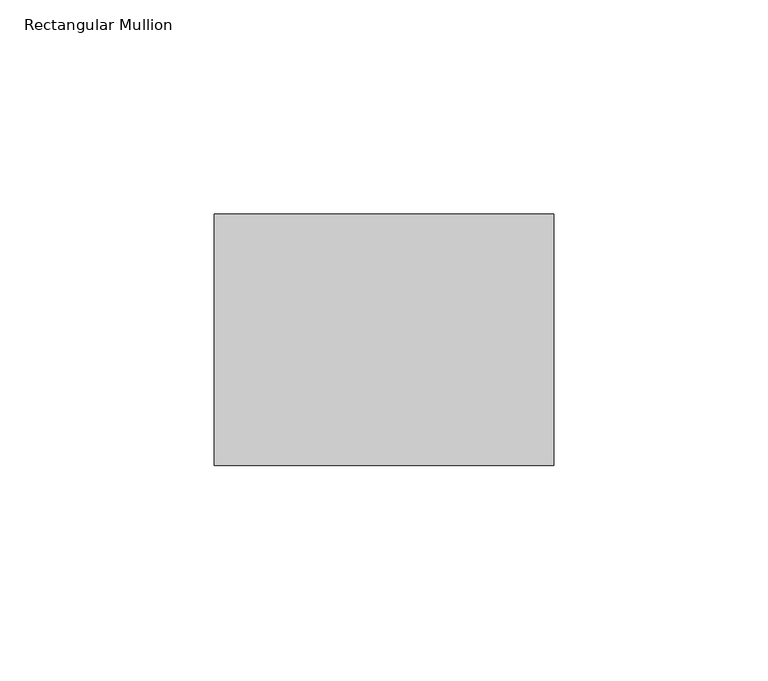
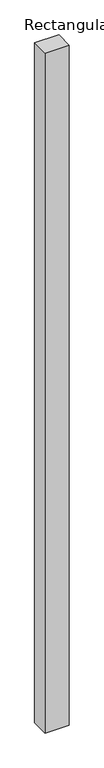
"""IFC4 building model written with IfcOpenShell, lengths in millimetres: member geometry, Rectangular Mullion."""

import ifcopenshell
import ifcopenshell.guid

model = None  # the IFC model being written
_history = None  # IfcOwnerHistory: only IFC2X3 demands one
_inside = {}  # id of a spatial element -> (the spatial element, [elements in it])
_under = {}  # id of a project, library or spatial element -> (it, [spatial elements below it])
_declared = {}  # id of a project -> (the project, [libraries it declares])
_typed = {}  # id of a type object -> (the type object, [elements of that type])
_made_of = {}  # id of a material, layer set ... -> (it, [elements and type objects made of it])


def new_model(schema):
    """Start an empty IFC model of exactly this schema.

    Asked for "IFC4X3", IfcOpenShell would pick the latest addendum, in which some entities
    have other attributes; the version numbers below select the first issue.
    IFC2X3 requires an IfcOwnerHistory on every rooted entity: one is made here for all.
    """
    global model, _history
    if schema == "IFC4X3":
        model = ifcopenshell.file(schema_version=(4, 3, 0, 0))
    else:
        model = ifcopenshell.file(schema=schema)
    _inside.clear()
    _under.clear()
    _declared.clear()
    _typed.clear()
    _made_of.clear()
    _history = None
    if model.schema == "IFC2X3":
        org = make("IfcOrganization", Name="unknown")
        user = make(
            "IfcPersonAndOrganization",
            ThePerson=make("IfcPerson", FamilyName="unknown"),
            TheOrganization=org,
        )
        app = make(
            "IfcApplication",
            ApplicationDeveloper=org,
            Version="unknown",
            ApplicationFullName="unknown",
            ApplicationIdentifier="unknown",
        )
        _history = make(
            "IfcOwnerHistory",
            OwningUser=user,
            OwningApplication=app,
            ChangeAction="ADDED",
            CreationDate=0,
        )
    return model


def make(cls, **values):
    """One entity of the class cls with the attributes given. An attribute that is None is left unset."""
    return model.create_entity(
        cls, **{name: value for name, value in values.items() if value is not None}
    )


def rooted(cls, **values):
    """An entity with a GlobalId (a new one), such as an element, a storey or a relation."""
    return make(cls, GlobalId=ifcopenshell.guid.new(), OwnerHistory=_history, **values)


def si_unit(unit_type, name, prefix=None):
    """IfcSIUnit, for example si_unit("LENGTHUNIT", "METRE", prefix="MILLI")."""
    return make("IfcSIUnit", UnitType=unit_type, Prefix=prefix, Name=name)


def assignment(units):
    """IfcUnitAssignment: the units of a project."""
    return None if units is None else make("IfcUnitAssignment", Units=units)


def point(xyz):
    """IfcCartesianPoint."""
    return None if xyz is None else make("IfcCartesianPoint", Coordinates=xyz)


def direction(xyz):
    """IfcDirection."""
    return None if xyz is None else make("IfcDirection", DirectionRatios=xyz)


def frame(location, z_axis=None, x_axis=None):
    """IfcAxis2Placement3D, a coordinate frame: its origin and axes. An axis left out is left unset."""
    return make(
        "IfcAxis2Placement3D",
        Location=point(location),
        Axis=direction(z_axis),
        RefDirection=direction(x_axis),
    )


def origin():
    """The frame at (0, 0, 0) with its axes left unset."""
    return frame((0.0, 0.0, 0.0))


def place(relative_to, where):
    """IfcLocalPlacement: puts the frame where relative to a parent placement (None: the world)."""
    return make(
        "IfcLocalPlacement", PlacementRelTo=relative_to, RelativePlacement=where
    )


def context(
    kind, dimensions, precision=None, world=None, true_north=None, identifier=None
):
    """IfcGeometricRepresentationContext, for example the 3D "Model" context."""
    return make(
        "IfcGeometricRepresentationContext",
        ContextIdentifier=identifier,
        ContextType=kind,
        CoordinateSpaceDimension=dimensions,
        Precision=precision,
        WorldCoordinateSystem=world,
        TrueNorth=true_north,
    )


def project(units=None, contexts=None):
    """IfcProject with its units and contexts."""
    return rooted(
        "IfcProject",
        Name="project",
        RepresentationContexts=contexts,
        UnitsInContext=assignment(units),
    )


def spatial(cls, under=None, at=None, **own):
    """A site, building, storey or space (cls), placed at a placement, below another one or the project."""
    s = rooted(cls, ObjectPlacement=at, **own)
    if under is not None:
        _under.setdefault(under.id(), (under, []))[1].append(s)
    return s


def polyline(points):
    """IfcPolyline through the points."""
    return make("IfcPolyline", Points=[point(p) for p in points])


def outline(outer, holes=None, kind="AREA"):
    """IfcArbitraryClosedProfileDef: a profile drawn as a closed curve; with holes, ...WithVoids."""
    if holes is None:
        return make("IfcArbitraryClosedProfileDef", ProfileType=kind, OuterCurve=outer)
    return make(
        "IfcArbitraryProfileDefWithVoids",
        ProfileType=kind,
        OuterCurve=outer,
        InnerCurves=holes,
    )


def extrude(swept, where, along, depth):
    """IfcExtrudedAreaSolid: the profile swept, set in the frame where, extruded along a direction by depth."""
    return make(
        "IfcExtrudedAreaSolid",
        SweptArea=swept,
        Position=where,
        ExtrudedDirection=direction(along),
        Depth=depth,
    )


def shape(context_of_items, identifier, shape_type, items):
    """IfcShapeRepresentation: the items that make up one representation, for example the "Body"."""
    return make(
        "IfcShapeRepresentation",
        ContextOfItems=context_of_items,
        RepresentationIdentifier=identifier,
        RepresentationType=shape_type,
        Items=items,
    )


def source(mapping_origin, context_of_items, identifier, shape_type, items):
    """IfcRepresentationMap: a shape defined once, which mapped items show again and again."""
    return make(
        "IfcRepresentationMap",
        MappingOrigin=mapping_origin,
        MappedRepresentation=shape(context_of_items, identifier, shape_type, items),
    )


def transform(
    local_origin,
    x_axis=None,
    y_axis=None,
    z_axis=None,
    scale=None,
    scale2=None,
    scale3=None,
    uniform=True,
):
    """IfcCartesianTransformationOperator3D, or its non-uniform kind. x_axis, y_axis, z_axis: its Axis1, 2, 3."""
    if uniform:
        return make(
            "IfcCartesianTransformationOperator3D",
            Axis1=direction(x_axis),
            Axis2=direction(y_axis),
            LocalOrigin=point(local_origin),
            Scale=scale,
            Axis3=direction(z_axis),
        )
    return make(
        "IfcCartesianTransformationOperator3DnonUniform",
        Axis1=direction(x_axis),
        Axis2=direction(y_axis),
        LocalOrigin=point(local_origin),
        Scale=scale,
        Axis3=direction(z_axis),
        Scale2=scale2,
        Scale3=scale3,
    )


def mapped(mapping_source, mapping_target):
    """IfcMappedItem: shows the shape of a source again, moved by a transform."""
    return make(
        "IfcMappedItem", MappingSource=mapping_source, MappingTarget=mapping_target
    )


def made_of(thing, what):
    """Note that an element or type object is made of a material, layer set ...; save() writes the relation."""
    if what is not None:
        _made_of.setdefault(what.id(), (what, []))[1].append(thing)
    return thing


def element(
    cls,
    number,
    at=None,
    inside=None,
    cuts=None,
    type_object=None,
    material=None,
    context=None,
    identifier="Body",
    shape_type=None,
    held_by="IfcProductDefinitionShape",
    body=None,
    shapes=None,
    **own,
):
    """One element of the class cls, such as IfcWall. Its Tag is "e" and its number.

    at: its placement. inside: the storey or other place that contains it. cuts: it is an
    opening in that element (IfcRelVoidsElement). A single representation is given by context,
    identifier, shape_type and body (its items); several are given by shapes. held_by: the class
    of the entity that holds the representations. save() writes the other relations.
    """
    e = rooted(cls, Tag="e%d" % number, ObjectPlacement=at, **own)
    if body is not None:
        shapes = [shape(context, identifier, shape_type, body)]
    if shapes is not None:
        e.Representation = make(held_by, Representations=shapes)
    if inside is not None:
        _inside.setdefault(inside.id(), (inside, []))[1].append(e)
    if cuts is not None:
        rooted(
            "IfcRelVoidsElement", RelatingBuildingElement=cuts, RelatedOpeningElement=e
        )
    if type_object is not None:
        _typed.setdefault(type_object.id(), (type_object, []))[1].append(e)
    return made_of(e, material)


def aggregate(whole, parts):
    """IfcRelAggregates: a whole, such as a stair, and the parts it consists of."""
    return rooted("IfcRelAggregates", RelatingObject=whole, RelatedObjects=parts)


def save(model, path):
    """Write the relations noted so far, then the file.

    IfcRelAggregates (storeys below a building ...), IfcRelContainedInSpatialStructure (elements
    in a storey), IfcRelDefinesByType, IfcRelAssociatesMaterial and IfcRelDeclares: one each for
    every whole, place, type object, material and project.
    """
    for whole, parts in _under.values():
        aggregate(whole, parts)
    for where, things in _inside.values():
        rooted(
            "IfcRelContainedInSpatialStructure",
            RelatedElements=things,
            RelatingStructure=where,
        )
    for kind, things in _typed.values():
        rooted("IfcRelDefinesByType", RelatedObjects=things, RelatingType=kind)
    for what, things in _made_of.values():
        rooted("IfcRelAssociatesMaterial", RelatedObjects=things, RelatingMaterial=what)
    for by, libraries in _declared.values():
        rooted("IfcRelDeclares", RelatingContext=by, RelatedDefinitions=libraries)
    model.write(path)


def rectangular_mullion_081f6f5a(model_context):
    return source(origin(), model_context, "Body", "SweptSolid", [
        extrude(outline(polyline([(39.6875, 29.36875), (39.6875, -29.36875), (-39.6875, -29.36875), (-39.6875, 29.36875), (39.6875, 29.36875)])), frame((0.0, 0.0, -2366.9625), z_axis=(0.0, 0.0, 1.0), x_axis=(1.0, 0.0, 0.0)), (0.0, 0.0, 1.0), 2366.9625),
    ])


if __name__ == "__main__":
    model = new_model("IFC4")
    model_context = context("Model", 3, world=origin())
    ifc_project = project(units=[si_unit("LENGTHUNIT", "METRE", prefix="MILLI")], contexts=[model_context])
    site = spatial("IfcSite", under=ifc_project)
    building = spatial("IfcBuilding", under=site)
    placement = place(None, origin())
    rectangular_mullion_shape = rectangular_mullion_081f6f5a(model_context)
    element("IfcMember", 1, ObjectType="Rectangular Mullion", at=placement, inside=building, context=model_context, shape_type="MappedRepresentation", body=[
        mapped(rectangular_mullion_shape, transform((0.0, 0.0, 0.0), x_axis=(1.0, 0.0, 0.0), y_axis=(0.0, 1.0, 0.0), z_axis=(0.0, 0.0, 1.0))),
    ])
    save(model, "model.ifc")
